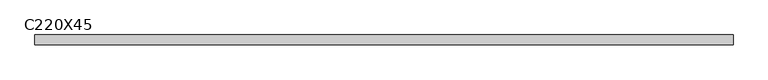
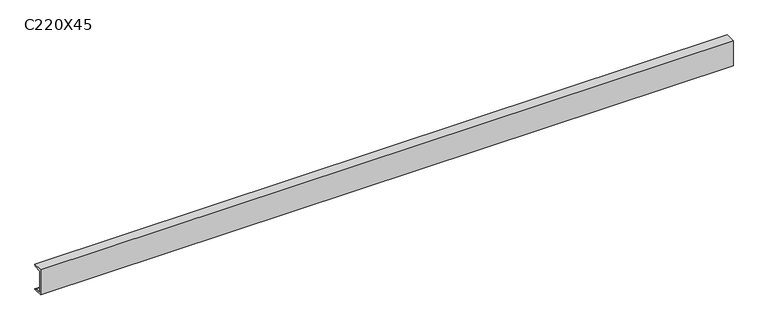
"""IFC4 building model written with IfcOpenShell, lengths in millimetres: beam geometry, C220X45."""

from ifc_helpers import new_model, si_unit, point, frame, frame_2d, origin, place, context, project, spatial, polyline, circle_curve, trimmed, segment, composite_curve, outline, extrude, source, transform, mapped, element, save


def c220x45_ce31dbb0(model_context):
    return source(origin(), model_context, "Body", "SweptSolid", [
        extrude(outline(composite_curve([segment(polyline([(-17.0, 110.0), (64.0, 110.0)]), True, "CONTINUOUS"), segment(trimmed(circle_curve(frame_2d((51.0, 110.0)), 13.0), [point((64.0, 110.0))], [point((51.0, 97.0))], False, "CARTESIAN"), True, "CONTINUOUS"), segment(polyline([(51.0, 97.0), (-4.0, 88.2888558), (-4.0, -88.2888558), (51.0, -97.0)]), True, "CONTINUOUS"), segment(trimmed(circle_curve(frame_2d((51.0, -110.0)), 13.0), [point((51.0, -97.0))], [point((64.0, -110.0))], False, "CARTESIAN"), True, "CONTINUOUS"), segment(polyline([(64.0, -110.0), (-17.0, -110.0), (-17.0, 110.0)]), True, "CONTINUOUS")], self_intersect=False)), frame((-2870.5, 0.0, 0.0), z_axis=(1.0, 0.0, 0.0), x_axis=(0.0, 1.0, 0.0)), (0.0, 0.0, 1.0), 5741.0),
    ])


if __name__ == "__main__":
    model = new_model("IFC4")
    model_context = context("Model", 3, world=origin())
    ifc_project = project(units=[si_unit("LENGTHUNIT", "METRE", prefix="MILLI")], contexts=[model_context])
    site = spatial("IfcSite", under=ifc_project)
    building = spatial("IfcBuilding", under=site)
    placement = place(None, origin())
    c220x45_shape = c220x45_ce31dbb0(model_context)
    element("IfcBeam", 1, ObjectType="C220X45", at=placement, inside=building, context=model_context, shape_type="MappedRepresentation", body=[
        mapped(c220x45_shape, transform((0.0, 0.0, 0.0), x_axis=(1.0, 0.0, 0.0), y_axis=(0.0, 1.0, 0.0), z_axis=(0.0, 0.0, 1.0))),
    ])
    save(model, "model.ifc")
